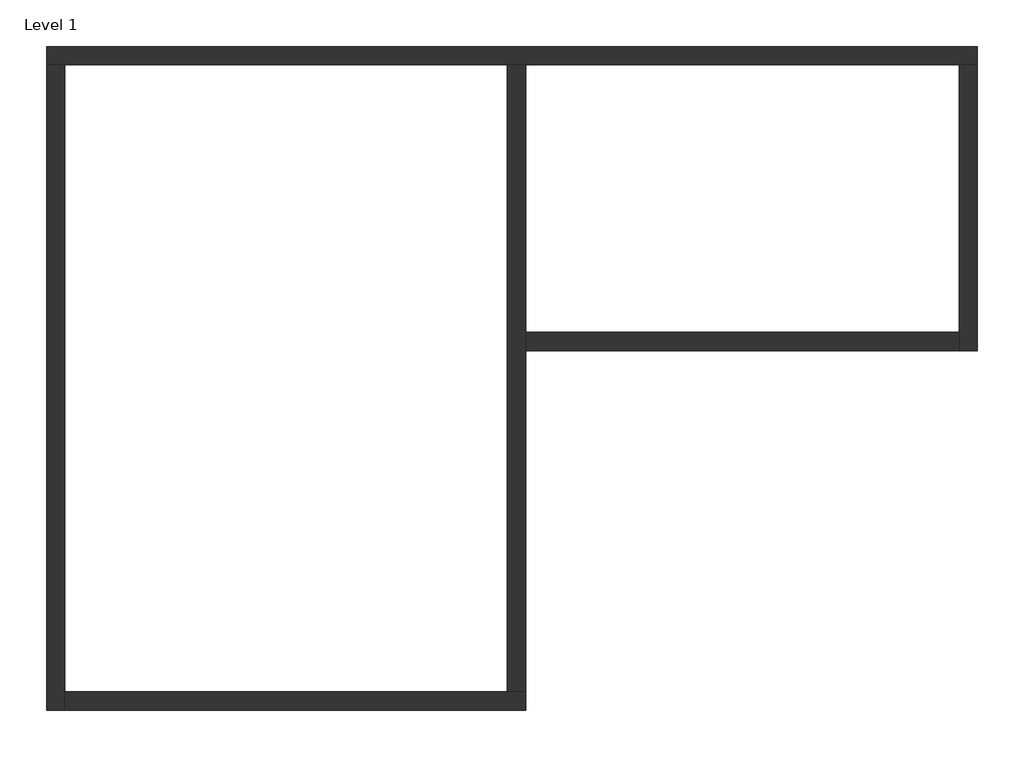
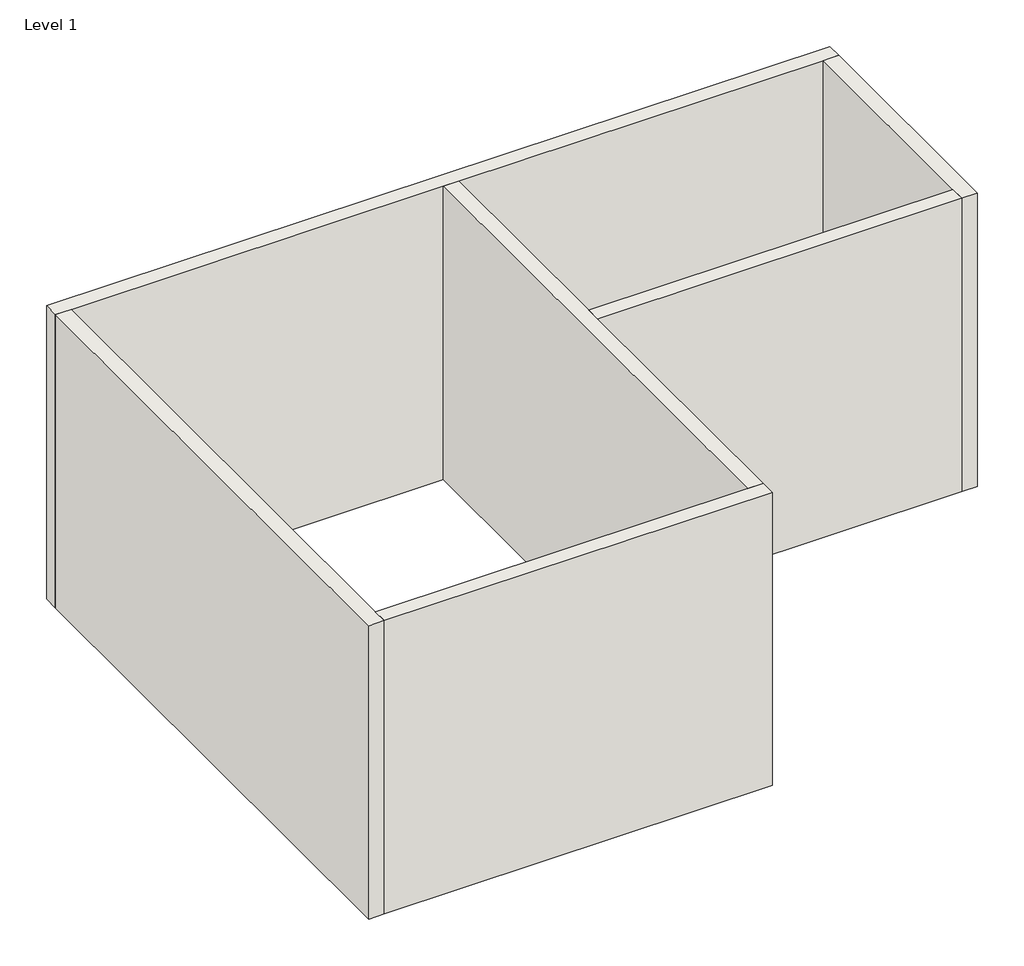
# One storey: 6 walls.
"""IFC4 building model written with IfcOpenShell, lengths in millimetres."""

from ifc_helpers import new_model, si_unit, origin, origin_with_axes, place, context, project, spatial, polyline, outline, extrude, faceted_brep, element, save

model = new_model("IFC4")

# Units and contexts
model_context = context("Model", 3, world=origin())
ifc_project = project(units=[si_unit("LENGTHUNIT", "METRE", prefix="MILLI")], contexts=[model_context])

# Site, building, storey
site = spatial("IfcSite", under=ifc_project)
building = spatial("IfcBuilding", under=site)
storey = spatial("IfcBuildingStorey", under=building, Name="Level 1", Elevation=0.0)

# Walls
placement = place(None, origin())
element("IfcWall", 1, ObjectType="Generic - 200mm", at=placement, inside=storey, context=model_context, shape_type="Brep", body=[
    faceted_brep([(-12903.5224881, 5157.6806627, 0.0), (-12703.5224881, 5157.6806627, 0.0), (-7903.5224881, 5157.6806627, 0.0), (-7703.5224881, 5157.6806627, 0.0), (-3003.5224881, 5157.6806627, 0.0), (-2803.5224881, 5157.6806627, 0.0), (-2803.5224881, 5157.6806627, 4000.0), (-3003.5224881, 5157.6806627, 4000.0), (-7703.5224881, 5157.6806627, 4000.0), (-7903.5224881, 5157.6806627, 4000.0), (-12703.5224881, 5157.6806627, 4000.0), (-12903.5224881, 5157.6806627, 4000.0), (-12903.5224881, 5357.6806627, 0.0), (-12903.5224881, 5357.6806627, 4000.0), (-2803.5224881, 5357.6806627, 4000.0), (-2803.5224881, 5357.6806627, 0.0)], [[[0, 1, 2, 3, 4, 5, 6, 7, 8, 9, 10, 11]], [[12, 13, 14, 15]], [[5, 4, 3, 2, 1, 0, 12, 15]], [[11, 10, 9, 8, 7, 6, 14, 13]], [[0, 11, 13, 12]], [[6, 5, 15, 14]]]),
])
element("IfcWall", 2, ObjectType="Generic - 200mm", at=placement, inside=storey, context=model_context, shape_type="Brep", body=[
    faceted_brep([(-12703.5224881, -1842.3193373, 0.0), (-12703.5224881, -1642.3193373, 0.0), (-12703.5224881, 5157.6806627, 0.0), (-12703.5224881, 5157.6806627, 4000.0), (-12703.5224881, -1642.3193373, 4000.0), (-12703.5224881, -1842.3193373, 4000.0), (-12903.5224881, -1842.3193373, 0.0), (-12903.5224881, -1842.3193373, 4000.0), (-12903.5224881, 5157.6806627, 4000.0), (-12903.5224881, 5157.6806627, 0.0)], [[[0, 1, 2, 3, 4, 5]], [[6, 7, 8, 9]], [[2, 1, 0, 6, 9]], [[5, 4, 3, 8, 7]], [[0, 5, 7, 6]], [[3, 2, 9, 8]]]),
])
element("IfcWall", 3, ObjectType="Generic - 200mm", at=placement, inside=storey, context=model_context, shape_type="Brep", body=[
    faceted_brep([(-7703.5224881, -1642.3193373, 0.0), (-7903.5224881, -1642.3193373, 0.0), (-12703.5224881, -1642.3193373, 0.0), (-12703.5224881, -1642.3193373, 4000.0), (-7903.5224881, -1642.3193373, 4000.0), (-7703.5224881, -1642.3193373, 4000.0), (-7703.5224881, -1842.3193373, 0.0), (-7703.5224881, -1842.3193373, 4000.0), (-12703.5224881, -1842.3193373, 4000.0), (-12703.5224881, -1842.3193373, 0.0)], [[[0, 1, 2, 3, 4, 5]], [[6, 7, 8, 9]], [[2, 1, 0, 6, 9]], [[5, 4, 3, 8, 7]], [[0, 5, 7, 6]], [[3, 2, 9, 8]]]),
])
element("IfcWall", 4, ObjectType="Generic - 200mm", at=placement, inside=storey, context=model_context, shape_type="Brep", body=[
    faceted_brep([(-7903.5224881, 5157.6806627, 0.0), (-7903.5224881, -1642.3193373, 0.0), (-7903.5224881, -1642.3193373, 4000.0), (-7903.5224881, 5157.6806627, 4000.0), (-7703.5224881, 5157.6806627, 0.0), (-7703.5224881, 5157.6806627, 4000.0), (-7703.5224881, 2257.6806627, 4000.0), (-7703.5224881, 2057.6806627, 4000.0), (-7703.5224881, -1642.3193373, 4000.0), (-7703.5224881, -1642.3193373, 0.0), (-7703.5224881, 2057.6806627, 0.0), (-7703.5224881, 2257.6806627, 0.0)], [[[0, 1, 2, 3]], [[4, 5, 6, 7, 8, 9, 10, 11]], [[1, 0, 4, 11, 10, 9]], [[3, 2, 8, 7, 6, 5]], [[2, 1, 9, 8]], [[0, 3, 5, 4]]]),
])
element("IfcWall", 5, ObjectType="Generic - 200mm", at=placement, inside=storey, context=model_context, shape_type="SweptSolid", body=[
    extrude(outline(polyline([(-3003.5224881, 2057.6806627), (-7703.5224881, 2057.6806627), (-7703.5224881, 2257.6806627), (-3003.5224881, 2257.6806627), (-3003.5224881, 2057.6806627)])), origin_with_axes(), (0.0, 0.0, 1.0), 4000.0),
])
element("IfcWall", 6, ObjectType="Generic - 200mm", at=placement, inside=storey, context=model_context, shape_type="Brep", body=[
    faceted_brep([(-2803.5224881, 2057.6806627, 0.0), (-2803.5224881, 5157.6806627, 0.0), (-2803.5224881, 5157.6806627, 4000.0), (-2803.5224881, 2057.6806627, 4000.0), (-3003.5224881, 2057.6806627, 0.0), (-3003.5224881, 2057.6806627, 4000.0), (-3003.5224881, 2257.6806627, 4000.0), (-3003.5224881, 5157.6806627, 4000.0), (-3003.5224881, 5157.6806627, 0.0), (-3003.5224881, 2257.6806627, 0.0)], [[[0, 1, 2, 3]], [[4, 5, 6, 7, 8, 9]], [[1, 0, 4, 9, 8]], [[3, 2, 7, 6, 5]], [[2, 1, 8, 7]], [[0, 3, 5, 4]]]),
])

save(model, "model.ifc")
